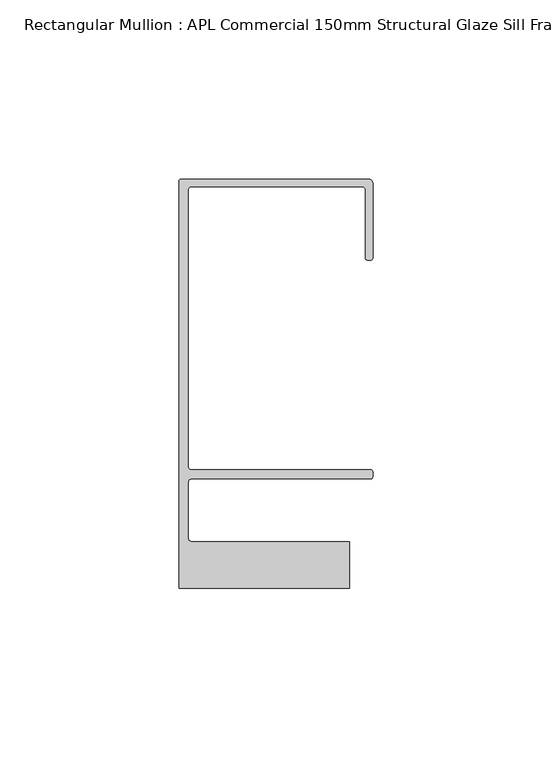
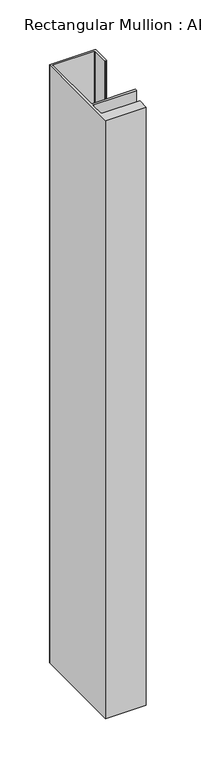
"""IFC4 building model written with IfcOpenShell, lengths in millimetres: member geometry, Rectangular Mullion : APL Commercial 150mm Structural Glaze Sill Frame (Back)."""

from ifc_helpers import new_model, si_unit, frame, origin, place, context, project, spatial, polyline, circle_curve, source, transform, mapped, element, save
from ifc_brep_helpers import plane_surface, cylinder_surface, revolved_surface, advanced_brep


def rectangular_mullion_apl_commercial_150mm_structural_glaze_4d7eed76(model_context):
    return source(origin(), model_context, "Body", "AdvancedBrep", [
        advanced_brep(
        [(-53.5000083, 129.0001071, 0.0), (-54.0000083, 128.5001071, 0.0), (-54.0000083, 15.0004332, 0.0), (-6.5000083, 15.0004332, 0.0), (-6.5000083, 28.0004332, 0.0), (-50.500032, 28.0004332, 0.0), (-51.500032, 29.0004332, 0.0), (-51.500032, 44.4999541, 0.0), (-50.500032, 45.4999541, 0.0), (-0.521387, 45.4999541, 0.0), (-5.4e-06, 46.0213357, 0.0), (-5.4e-06, 47.5021598, 0.0), (-0.5000012, 48.000115, 0.0), (-50.482081, 48.000115, 0.0), (-51.5000225, 48.9999541, 0.0), (-51.5000225, 126.00011, 0.0), (-50.5000083, 127.00011, 0.0), (-2.9999982, 127.00011, 0.0), (-1.9999982, 126.0001071, 0.0), (-1.9999982, 107.0001071, 0.0), (-1.4999822, 106.5001071, 0.0), (-0.5, 106.5001071, 0.0), (0.0, 107.0001071, 0.0), (0.0, 128.0001071, 0.0), (-1.0000079, 129.0001071, 0.0), (-53.5000083, 129.0001071, -738.1421998), (-1.0000079, 129.0001071, -738.1421998), (-7.9e-06, 128.0001071, -738.1421998), (0.0, 107.0001071, -738.1421998), (-0.5, 106.5001071, -738.1421998), (-1.4999822, 106.5001071, -738.1421998), (-1.9999822, 107.0001071, -738.1421998), (-1.9999982, 126.0001071, -738.1421998), (-2.9999982, 127.0001071, -738.1421998), (-50.5000083, 127.00011, -738.1421998), (-51.5000083, 126.00011, -738.1421998), (-51.5000225, 48.9999541, -738.1421998), (-50.482081, 48.000115, -738.1421998), (-0.5000012, 48.000115, -738.1421998), (-5.4e-06, 47.5021598, -738.1421998), (-5.4e-06, 46.0213357, -738.1421998), (-0.521387, 45.4999541, -738.1421998), (-50.500032, 45.4999541, -738.1421998), (-51.500032, 44.4999541, -738.1421998), (-51.500032, 29.0004332, -738.1421998), (-50.500032, 28.0004332, -738.1421998), (-6.5000083, 28.0004332, -738.1421998), (-6.5000083, 15.0004332, -738.1421998), (-54.0000083, 15.0004332, -738.1421998), (-54.0000083, 128.5001071, -738.1421998)],
        [
            (0, 1, circle_curve(frame((-53.5000083, 128.5001071, 0.0), z_axis=(0.0, 0.0, 1.0), x_axis=(0.0, 1.0, 0.0)), 0.5)),
            (1, 2),
            (2, 3),
            (3, 4),
            (4, 5),
            (5, 6, circle_curve(frame((-50.500032, 29.0004332, 0.0), z_axis=(0.0, 0.0, -1.0), x_axis=(0.0, -1.0, 0.0)), 1.0)),
            (6, 7),
            (7, 8, circle_curve(frame((-50.500032, 44.4999541, 0.0), z_axis=(0.0, 0.0, -1.0), x_axis=(-0.9999999999998819, 4.863123717036027e-07, 0.0)), 1.0)),
            (8, 9),
            (9, 10, circle_curve(frame((-0.521387, 46.0213357, 0.0), z_axis=(0.0, 0.0, 1.0), x_axis=(-1.0, 0.0, 0.0)), 0.5213816)),
            (10, 11),
            (11, 12, circle_curve(frame((-0.5000012, 47.500115, 0.0), z_axis=(0.0, 0.0, 1.0), x_axis=(0.9999999999999991, -4.5120271963110614e-08, 0.0)), 0.5)),
            (12, 13),
            (13, 14, circle_curve(frame((-50.5000225, 48.9999541, 0.0), z_axis=(0.0, 0.0, -1.0), x_axis=(3.5344775231070867e-06, -0.9999999999937538, 0.0)), 1.0)),
            (14, 15),
            (15, 16, circle_curve(frame((-50.5000083, 126.00011, 0.0), z_axis=(0.0, 0.0, -1.0), x_axis=(-1.0, 3.636202450239078e-12, 0.0)), 1.0)),
            (16, 17),
            (17, 18, circle_curve(frame((-2.9999982, 126.0001071, 0.0), z_axis=(0.0, 0.0, -1.0), x_axis=(0.0, 1.0, 0.0)), 1.0)),
            (18, 19),
            (19, 20, circle_curve(frame((-1.4999822, 107.0001071, 0.0), z_axis=(0.0, 0.0, 1.0), x_axis=(-1.0, -1.039279773351609e-08, 0.0)), 0.5)),
            (20, 21),
            (21, 22, circle_curve(frame((-0.5, 107.0001071, 0.0), z_axis=(0.0, 0.0, 1.0), x_axis=(0.0, -1.0, 0.0)), 0.5)),
            (22, 23),
            (23, 24, circle_curve(frame((-1.0000079, 128.0001071, 0.0), z_axis=(0.0, 0.0, 1.0), x_axis=(0.9999999999996143, 8.78371761103865e-07, 0.0)), 1.0)),
            (24, 0),
            (25, 26),
            (26, 27, circle_curve(frame((-1.0000079, 128.0001071, -738.1421998), z_axis=(0.0, 0.0, -1.0), x_axis=(0.9999999999996143, 8.78371761103865e-07, 0.0)), 1.0)),
            (27, 28),
            (28, 29, circle_curve(frame((-0.5, 107.0001071, -738.1421998), z_axis=(0.0, 0.0, -1.0), x_axis=(0.0, -1.0, 0.0)), 0.5)),
            (29, 30),
            (30, 31, circle_curve(frame((-1.4999822, 107.0001071, -738.1421998), z_axis=(0.0, 0.0, -1.0), x_axis=(-1.0, -1.039279773351609e-08, 0.0)), 0.5)),
            (31, 32),
            (32, 33, circle_curve(frame((-2.9999982, 126.0001071, -738.1421998), z_axis=(0.0, 0.0, 1.0), x_axis=(0.0, 1.0, 0.0)), 1.0)),
            (33, 34),
            (34, 35, circle_curve(frame((-50.5000083, 126.00011, -738.1421998), z_axis=(0.0, 0.0, 1.0), x_axis=(-1.0, 3.636202450239078e-12, 0.0)), 1.0)),
            (35, 36),
            (36, 37, circle_curve(frame((-50.5000225, 48.9999541, -738.1421998), z_axis=(0.0, 0.0, 1.0), x_axis=(3.5344775231070867e-06, -0.9999999999937538, 0.0)), 1.0)),
            (37, 38),
            (38, 39, circle_curve(frame((-0.5000012, 47.500115, -738.1421998), z_axis=(0.0, 0.0, -1.0), x_axis=(0.9999999999999991, -4.5120271963110614e-08, 0.0)), 0.5)),
            (39, 40),
            (40, 41, circle_curve(frame((-0.521387, 46.0213357, -738.1421998), z_axis=(0.0, 0.0, -1.0), x_axis=(-1.0, 0.0, 0.0)), 0.5213816)),
            (41, 42),
            (42, 43, circle_curve(frame((-50.500032, 44.4999541, -738.1421998), z_axis=(0.0, 0.0, 1.0), x_axis=(-0.9999999999998819, 4.863123717036027e-07, 0.0)), 1.0)),
            (43, 44),
            (44, 45, circle_curve(frame((-50.500032, 29.0004332, -738.1421998), z_axis=(0.0, 0.0, 1.0), x_axis=(0.0, -1.0, 0.0)), 1.0)),
            (45, 46),
            (46, 47),
            (47, 48),
            (48, 49),
            (49, 25, circle_curve(frame((-53.5000083, 128.5001071, -738.1421998), z_axis=(0.0, 0.0, -1.0), x_axis=(0.0, 1.0, 0.0)), 0.5)),
            (0, 25),
            (49, 1),
            (48, 2),
            (47, 3),
            (46, 4),
            (45, 5),
            (44, 6),
            (43, 7),
            (42, 8),
            (41, 9),
            (40, 10),
            (39, 11),
            (38, 12),
            (37, 13),
            (36, 14),
            (35, 15),
            (34, 16),
            (33, 17),
            (32, 18),
            (31, 19),
            (30, 20),
            (29, 21),
            (28, 22),
            (27, 23),
            (26, 24),
        ],
        [
            plane_surface(frame((0.0, -139.6548314, 0.0), z_axis=(0.0, 0.0, 1.0), x_axis=(-1.0, 0.0, 0.0))),
            plane_surface(frame((0.0, -139.6548314, -738.1421998), z_axis=(0.0, 0.0, -1.0), x_axis=(-1.0, 0.0, 0.0))),
            cylinder_surface(frame((-53.5000083, 128.5001071, 0.0), z_axis=(0.0, 0.0, 1.0), x_axis=(0.0, 1.0, 0.0)), 0.5),
            plane_surface(frame((-54.0000083, 128.5001071, 0.0), z_axis=(-1.0, 0.0, 0.0), x_axis=(0.0, 0.0, -1.0))),
            plane_surface(frame((-54.0000083, 15.0004332, 0.0), z_axis=(0.0, -1.0, 0.0), x_axis=(0.0, 0.0, -1.0))),
            plane_surface(frame((-6.5000083, 15.0004332, 0.0), z_axis=(1.0, 0.0, 0.0), x_axis=(0.0, 0.0, -1.0))),
            plane_surface(frame((-6.5000083, 28.0004332, 0.0), z_axis=(0.0, 1.0, 0.0), x_axis=(0.0, 0.0, -1.0))),
            revolved_surface(polyline([(-50.500032, 28.0004332, -738.1421998), (-50.500032, 28.0004332, 0.0)]), (-50.500032, 29.0004332, 0.0), (0.0, 0.0, -1.0)),
            plane_surface(frame((-51.500032, 29.0004332, 0.0), z_axis=(1.0, 0.0, 0.0), x_axis=(0.0, 0.0, -1.0))),
            revolved_surface(polyline([(-51.50003199999988, 44.49995458631237, -738.1421998000002), (-51.50003199999988, 44.49995458631237, 0.0)]), (-50.500032, 44.4999541, 0.0), (0.0, 0.0, -1.0000000000000002)),
            plane_surface(frame((-50.500032, 45.4999541, 0.0), z_axis=(0.0, -1.0, 0.0), x_axis=(0.0, 0.0, -1.0))),
            cylinder_surface(frame((-0.521387, 46.0213357, 0.0), z_axis=(0.0, 0.0, 1.0), x_axis=(-1.0, 0.0, 0.0)), 0.5213816),
            plane_surface(frame((-5.4e-06, 46.0213357, 0.0), z_axis=(1.0, 0.0, 0.0), x_axis=(0.0, 0.0, -1.0))),
            cylinder_surface(frame((-0.5000012, 47.500115, 0.0), z_axis=(0.0, 0.0, 1.0000000000000002), x_axis=(0.9999999999999991, -4.5120271963110614e-08, 0.0)), 0.5),
            plane_surface(frame((-0.5000012, 48.000115, 0.0), z_axis=(0.0, 1.0, 0.0), x_axis=(0.0, 0.0, -1.0))),
            revolved_surface(polyline([(-50.50001896552248, 47.99995410000624, -738.1421998), (-50.50001896552248, 47.99995410000624, 0.0)]), (-50.5000225, 48.9999541, 0.0), (0.0, 0.0, -1.0)),
            plane_surface(frame((-51.5000225, 48.9999541, 0.0), z_axis=(1.0, 0.0, 0.0), x_axis=(0.0, 0.0, -1.0))),
            revolved_surface(polyline([(-51.5000083, 126.00011000000364, -738.1421998), (-51.5000083, 126.00011000000364, 0.0)]), (-50.5000083, 126.00011, 0.0), (0.0, 0.0, -1.0)),
            plane_surface(frame((-50.5000083, 127.00011, 0.0), z_axis=(0.0, -1.0, 0.0), x_axis=(0.0, 0.0, -1.0))),
            revolved_surface(polyline([(-2.9999982, 127.0001071, -738.1421998), (-2.9999982, 127.0001071, 0.0)]), (-2.9999982, 126.0001071, 0.0), (0.0, 0.0, -1.0)),
            plane_surface(frame((-1.9999982, 126.0001071, 0.0), z_axis=(-1.0, 0.0, 0.0), x_axis=(0.0, 0.0, -1.0))),
            cylinder_surface(frame((-1.4999822, 107.0001071, 0.0), z_axis=(0.0, 0.0, 1.0), x_axis=(-1.0, -1.039279773351609e-08, 0.0)), 0.5),
            plane_surface(frame((-1.4999822, 106.5001071, 0.0), z_axis=(0.0, -1.0, 0.0), x_axis=(0.0, 0.0, -1.0))),
            cylinder_surface(frame((-0.5, 107.0001071, 0.0), z_axis=(0.0, 0.0, 1.0), x_axis=(0.0, -1.0, 0.0)), 0.5),
            plane_surface(frame((0.0, 107.0001071, 0.0), z_axis=(1.0, 0.0, 0.0), x_axis=(0.0, 0.0, -1.0))),
            cylinder_surface(frame((-1.0000079, 128.0001071, 0.0), z_axis=(0.0, 0.0, 1.0000000000000002), x_axis=(0.9999999999996143, 8.78371761103865e-07, 0.0)), 1.0),
            plane_surface(frame((-1.0000079, 129.0001071, 0.0), z_axis=(0.0, 1.0, 0.0), x_axis=(0.0, 0.0, -1.0))),
        ],
        [
            (0, [[1, 2, 3, 4, 5, 6, 7, 8, 9, 10, 11, 12, 13, 14, 15, 16, 17, 18, 19, 20, 21, 22, 23, 24, 25]]),
            (1, [[26, 27, 28, 29, 30, 31, 32, 33, 34, 35, 36, 37, 38, 39, 40, 41, 42, 43, 44, 45, 46, 47, 48, 49, 50]]),
            (2, [[-1, 51, -50, 52]]),
            (3, [[-2, -52, -49, 53]]),
            (4, [[-3, -53, -48, 54]]),
            (5, [[-4, -54, -47, 55]]),
            (6, [[-5, -55, -46, 56]]),
            (7, [[-6, -56, -45, 57]]),
            (8, [[-7, -57, -44, 58]]),
            (9, [[-8, -58, -43, 59]]),
            (10, [[-9, -59, -42, 60]]),
            (11, [[-10, -60, -41, 61]]),
            (12, [[-11, -61, -40, 62]]),
            (13, [[-12, -62, -39, 63]]),
            (14, [[-13, -63, -38, 64]]),
            (15, [[-14, -64, -37, 65]]),
            (16, [[-15, -65, -36, 66]]),
            (17, [[-16, -66, -35, 67]]),
            (18, [[-17, -67, -34, 68]]),
            (19, [[-18, -68, -33, 69]]),
            (20, [[-19, -69, -32, 70]]),
            (21, [[-20, -70, -31, 71]]),
            (22, [[-21, -71, -30, 72]]),
            (23, [[-22, -72, -29, 73]]),
            (24, [[-23, -73, -28, 74]]),
            (25, [[-24, -74, -27, 75]]),
            (26, [[-25, -75, -26, -51]]),
        ],
    ),
    ])


if __name__ == "__main__":
    model = new_model("IFC4")
    model_context = context("Model", 3, world=origin())
    ifc_project = project(units=[si_unit("LENGTHUNIT", "METRE", prefix="MILLI")], contexts=[model_context])
    site = spatial("IfcSite", under=ifc_project)
    building = spatial("IfcBuilding", under=site)
    placement = place(None, origin())
    rectangular_mullion_apl_commercial_150mm_structural_glaze_shape = rectangular_mullion_apl_commercial_150mm_structural_glaze_4d7eed76(model_context)
    element("IfcMember", 1, ObjectType="Rectangular Mullion : APL Commercial 150mm Structural Glaze Sill Frame (Back)", at=placement, inside=building, context=model_context, shape_type="MappedRepresentation", body=[
        mapped(rectangular_mullion_apl_commercial_150mm_structural_glaze_shape, transform((0.0, 0.0, 0.0), x_axis=(1.0, 0.0, 0.0), y_axis=(0.0, 1.0, 0.0), z_axis=(0.0, 0.0, 1.0))),
    ])
    save(model, "model.ifc")
